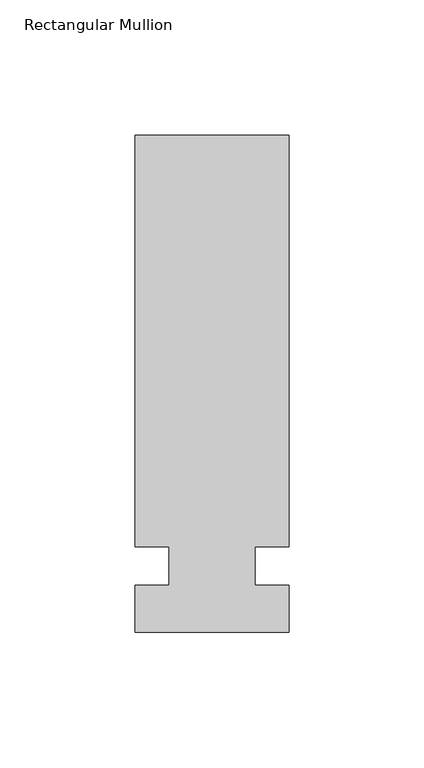
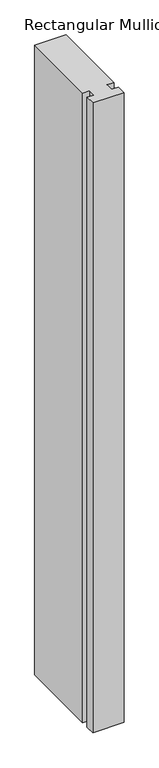
"""IFC4 building model written with IfcOpenShell, lengths in millimetres: member geometry, Rectangular Mullion."""

from ifc_helpers import new_model, si_unit, frame, origin, place, context, project, spatial, polyline, outline, extrude, source, transform, mapped, element, save


def rectangular_mullion_57e3cdcc(model_context):
    return source(origin(), model_context, "Body", "SweptSolid", [
        extrude(outline(polyline([(32.9094027, 159.54375), (32.9094027, 7.14375), (20.2076322, 7.14375), (20.2076322, -7.14375), (32.9094027, -7.14375), (32.9094027, -24.60625), (-24.2405973, -24.60625), (-24.2405973, -7.14375), (-11.5405973, -7.14375), (-11.5405973, 7.14375), (-24.2405973, 7.14375), (-24.2405973, 159.54375), (32.9094027, 159.54375)])), frame((0.0, 0.0, -1219.2), z_axis=(0.0, 0.0, 1.0), x_axis=(1.0, 0.0, 0.0)), (0.0, 0.0, 1.0), 1219.2),
    ])


if __name__ == "__main__":
    model = new_model("IFC4")
    model_context = context("Model", 3, world=origin())
    ifc_project = project(units=[si_unit("LENGTHUNIT", "METRE", prefix="MILLI")], contexts=[model_context])
    site = spatial("IfcSite", under=ifc_project)
    building = spatial("IfcBuilding", under=site)
    placement = place(None, origin())
    rectangular_mullion_shape = rectangular_mullion_57e3cdcc(model_context)
    element("IfcMember", 1, ObjectType="Rectangular Mullion", at=placement, inside=building, context=model_context, shape_type="MappedRepresentation", body=[
        mapped(rectangular_mullion_shape, transform((0.0, 0.0, 0.0), x_axis=(1.0, 0.0, 0.0), y_axis=(0.0, 1.0, 0.0), z_axis=(0.0, 0.0, 1.0))),
    ])
    save(model, "model.ifc")
